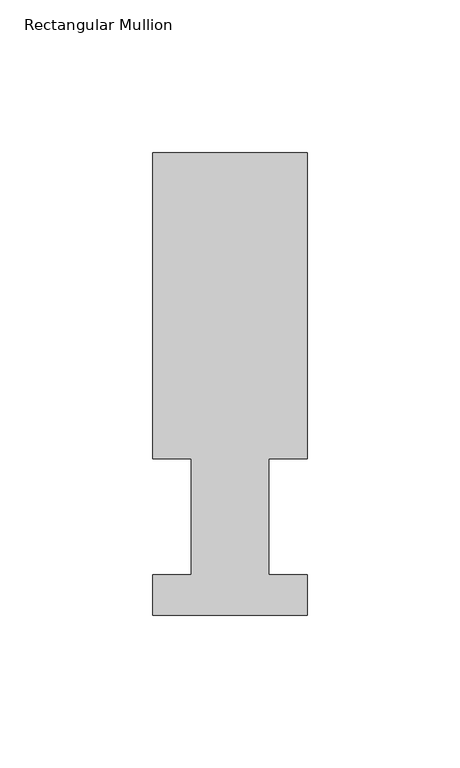
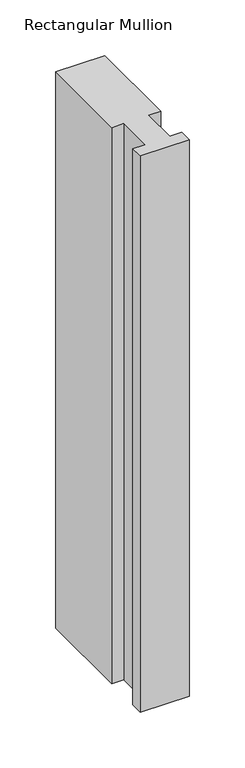
"""IFC4 building model written with IfcOpenShell, lengths in millimetres: member geometry, Rectangular Mullion."""

from ifc_helpers import new_model, si_unit, frame, origin, place, context, project, spatial, polyline, outline, extrude, source, transform, mapped, element, save


def rectangular_mullion_54180591(model_context):
    return source(origin(), model_context, "Body", "SweptSolid", [
        extrude(outline(polyline([(50.8, 151.7022937), (50.8, 51.2960938), (38.1, 51.2960938), (38.1, 13.1960938), (50.8, 13.1960938), (50.8, 0.0134937), (0.0, 0.0134937), (0.0, 13.1960938), (12.7, 13.1960938), (12.7, 51.2960938), (0.0, 51.2960938), (0.0, 151.7022937), (50.8, 151.7022937)])), frame((0.0, 0.0, -609.6), z_axis=(0.0, 0.0, 1.0), x_axis=(1.0, 0.0, 0.0)), (0.0, 0.0, 1.0), 609.6),
    ])


if __name__ == "__main__":
    model = new_model("IFC4")
    model_context = context("Model", 3, world=origin())
    ifc_project = project(units=[si_unit("LENGTHUNIT", "METRE", prefix="MILLI")], contexts=[model_context])
    site = spatial("IfcSite", under=ifc_project)
    building = spatial("IfcBuilding", under=site)
    placement = place(None, origin())
    rectangular_mullion_shape = rectangular_mullion_54180591(model_context)
    element("IfcMember", 1, ObjectType="Rectangular Mullion", at=placement, inside=building, context=model_context, shape_type="MappedRepresentation", body=[
        mapped(rectangular_mullion_shape, transform((0.0, 0.0, 0.0), x_axis=(1.0, 0.0, 0.0), y_axis=(0.0, 1.0, 0.0), z_axis=(0.0, 0.0, 1.0))),
    ])
    save(model, "model.ifc")
